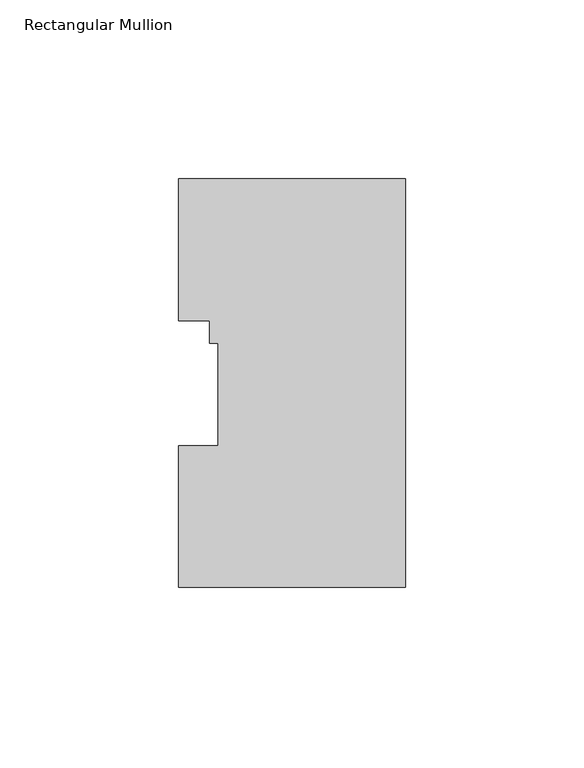
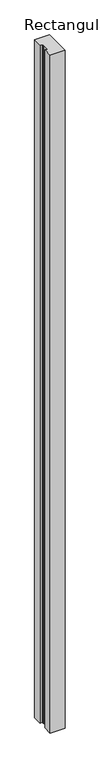
"""IFC4 building model written with IfcOpenShell, lengths in millimetres: member geometry, Rectangular Mullion."""

from ifc_helpers import new_model, si_unit, frame, origin, place, context, project, spatial, polyline, outline, extrude, source, transform, mapped, element, save


def rectangular_mullion_27484706(model_context):
    return source(origin(), model_context, "Body", "SweptSolid", [
        extrude(outline(polyline([(-63.5, 114.271425), (0.0, 114.271425), (0.0, -0.028575), (-63.5, -0.028575), (-63.5, 39.646225), (-52.3875, 39.646225), (-52.3875, 68.246625), (-54.7624, 68.246625), (-54.7624, 74.596625), (-63.5, 74.596625), (-63.5, 114.271425)])), frame((0.0, 0.0, -3048.0), z_axis=(0.0, 0.0, 1.0), x_axis=(1.0, 0.0, 0.0)), (0.0, 0.0, 1.0), 3048.0),
    ])


if __name__ == "__main__":
    model = new_model("IFC4")
    model_context = context("Model", 3, world=origin())
    ifc_project = project(units=[si_unit("LENGTHUNIT", "METRE", prefix="MILLI")], contexts=[model_context])
    site = spatial("IfcSite", under=ifc_project)
    building = spatial("IfcBuilding", under=site)
    placement = place(None, origin())
    rectangular_mullion_shape = rectangular_mullion_27484706(model_context)
    element("IfcMember", 1, ObjectType="Rectangular Mullion", at=placement, inside=building, context=model_context, shape_type="MappedRepresentation", body=[
        mapped(rectangular_mullion_shape, transform((0.0, 0.0, 0.0), x_axis=(1.0, 0.0, 0.0), y_axis=(0.0, 1.0, 0.0), z_axis=(0.0, 0.0, 1.0))),
    ])
    save(model, "model.ifc")
